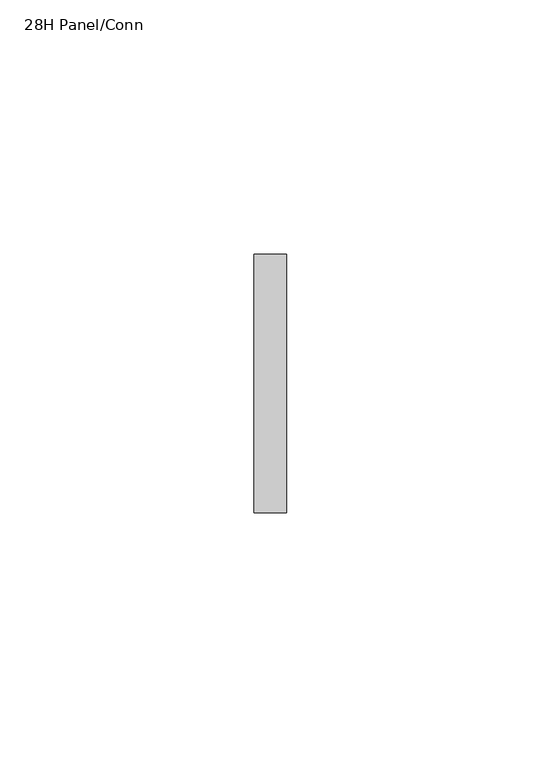
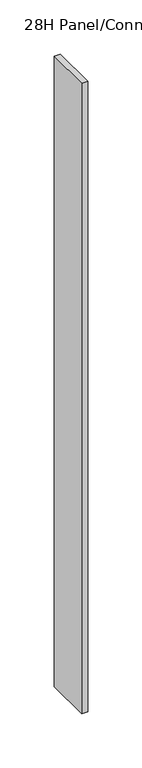
"""IFC4 building model written with IfcOpenShell, lengths in millimetres: furniture geometry, 28H Panel/Conn."""

from ifc_helpers import new_model, si_unit, frame, origin, place, context, project, spatial, polyline, outline, extrude, source, transform, mapped, element, save


def furniture_28h_panel_conn_af0eebac(model_context):
    return source(origin(), model_context, "Body", "SweptSolid", [
        extrude(outline(polyline([(-60.5209988, 104.9709924), (-60.5209967, 54.1709916), (-66.8709967, 54.1709914), (-66.8709988, 104.9709922), (-60.5209988, 104.9709924)])), frame((0.0, 0.0, 1000.1250008), z_axis=(0.0, 0.0, 1.0), x_axis=(1.0, 0.0, 0.0)), (0.0, 0.0, 1.0), 711.2),
    ])


if __name__ == "__main__":
    model = new_model("IFC4")
    model_context = context("Model", 3, world=origin())
    ifc_project = project(units=[si_unit("LENGTHUNIT", "METRE", prefix="MILLI")], contexts=[model_context])
    site = spatial("IfcSite", under=ifc_project)
    building = spatial("IfcBuilding", under=site)
    placement = place(None, origin())
    furniture_28h_panel_conn_shape = furniture_28h_panel_conn_af0eebac(model_context)
    element("IfcFurniture", 1, ObjectType="28H Panel/Conn", at=placement, inside=building, context=model_context, shape_type="MappedRepresentation", body=[
        mapped(furniture_28h_panel_conn_shape, transform((0.0, 0.0, 0.0), x_axis=(1.0, 0.0, 0.0), y_axis=(0.0, 1.0, 0.0), z_axis=(0.0, 0.0, 1.0))),
    ])
    save(model, "model.ifc")
